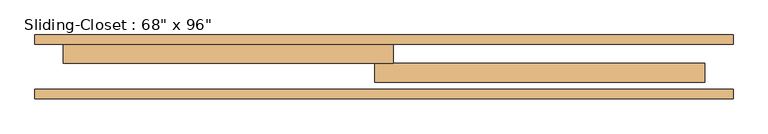
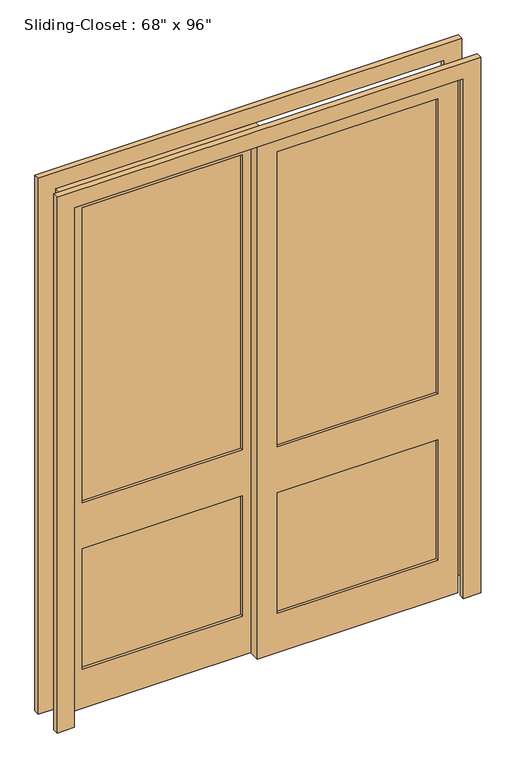
"""IFC4 building model written with IfcOpenShell, lengths in millimetres: door geometry."""

from ifc_helpers import new_model, si_unit, frame, origin, place, context, project, spatial, polyline, outline, extrude, source, transform, mapped, element, save


def door_c6c1ef39(model_context):
    return source(origin(), model_context, "Body", "SweptSolid", [
        extrude(outline(polyline([(-63.5, 149.225), (-774.7, 149.225), (-774.7, 174.625), (-63.5, 174.625), (-63.5, 149.225)])), frame((0.0, 0.0, 965.2), z_axis=(0.0, 0.0, 1.0), x_axis=(1.0, 0.0, 0.0)), (0.0, 0.0, 1.0), 1384.3),
        extrude(outline(polyline([(-63.5, 149.225), (-774.7, 149.225), (-774.7, 174.625), (-63.5, 174.625), (-63.5, 149.225)])), frame((0.0, 0.0, 184.15), z_axis=(0.0, 0.0, 1.0), x_axis=(1.0, 0.0, 0.0)), (0.0, 0.0, 1.0), 565.15),
        extrude(outline(polyline([(63.5, 123.825), (774.7, 123.825), (774.7, 98.425), (63.5, 98.425), (63.5, 123.825)])), frame((0.0, 0.0, 965.2), z_axis=(0.0, 0.0, 1.0), x_axis=(1.0, 0.0, 0.0)), (0.0, 0.0, 1.0), 1384.3),
        extrude(outline(polyline([(63.5, 123.825), (774.7, 123.825), (774.7, 98.425), (63.5, 98.425), (63.5, 123.825)])), frame((0.0, 0.0, 184.15), z_axis=(0.0, 0.0, 1.0), x_axis=(1.0, 0.0, 0.0)), (0.0, 0.0, 1.0), 565.15),
        extrude(outline(polyline([(2438.4, 25.4), (2438.4, -863.6), (0.0, -863.6), (0.0, 25.4), (2438.4, 25.4)]), holes=[polyline([(184.15, -774.7), (749.3, -774.7), (749.3, -63.5), (184.15, -63.5), (184.15, -774.7)]), polyline([(965.2, -774.7), (2349.5, -774.7), (2349.5, -63.5), (965.2, -63.5), (965.2, -774.7)])]), frame((0.0, 136.525, 0.0), z_axis=(0.0, 1.0, 0.0), x_axis=(0.0, 0.0, 1.0)), (0.0, 0.0, 1.0), 50.8),
        extrude(outline(polyline([(0.0, -939.8), (0.0, -863.6), (2438.4, -863.6), (2438.4, 863.6), (0.0, 863.6), (0.0, 939.8), (2514.6, 939.8), (2514.6, -939.8), (0.0, -939.8)])), frame((0.0, 41.275, 0.0), z_axis=(0.0, 1.0, 0.0), x_axis=(0.0, 0.0, 1.0)), (0.0, 0.0, 1.0), 25.4),
        extrude(outline(polyline([(0.0, 939.8), (2514.6, 939.8), (2514.6, -939.8), (0.0, -939.8), (0.0, -863.6), (2438.4, -863.6), (2438.4, 863.6), (0.0, 863.6), (0.0, 939.8)])), frame((0.0, 187.325, 0.0), z_axis=(0.0, 1.0, 0.0), x_axis=(0.0, 0.0, 1.0)), (0.0, 0.0, 1.0), 25.4),
        extrude(outline(polyline([(2438.4, -25.4), (0.0, -25.4), (0.0, 863.6), (2438.4, 863.6), (2438.4, -25.4)]), holes=[polyline([(965.2, 774.7), (965.2, 63.5), (2349.5, 63.5), (2349.5, 774.7), (965.2, 774.7)]), polyline([(184.15, 774.7), (184.15, 63.5), (749.3, 63.5), (749.3, 774.7), (184.15, 774.7)])]), frame((0.0, 85.725, 0.0), z_axis=(0.0, 1.0, 0.0), x_axis=(0.0, 0.0, 1.0)), (0.0, 0.0, 1.0), 50.8),
    ])


if __name__ == "__main__":
    model = new_model("IFC4")
    model_context = context("Model", 3, world=origin())
    ifc_project = project(units=[si_unit("LENGTHUNIT", "METRE", prefix="MILLI")], contexts=[model_context])
    site = spatial("IfcSite", under=ifc_project)
    building = spatial("IfcBuilding", under=site)
    placement = place(None, origin())
    door_shape = door_c6c1ef39(model_context)
    element("IfcDoor", 1, ObjectType="Sliding-Closet : 68\" x 96\"", at=placement, inside=building, context=model_context, shape_type="MappedRepresentation", body=[
        mapped(door_shape, transform((0.0, 0.0, 0.0), x_axis=(1.0, 0.0, 0.0), y_axis=(0.0, 1.0, 0.0), z_axis=(0.0, 0.0, 1.0))),
    ])
    save(model, "model.ifc")
